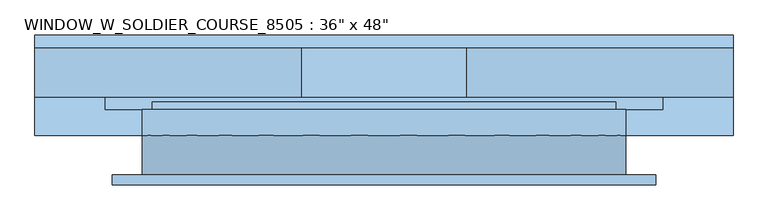
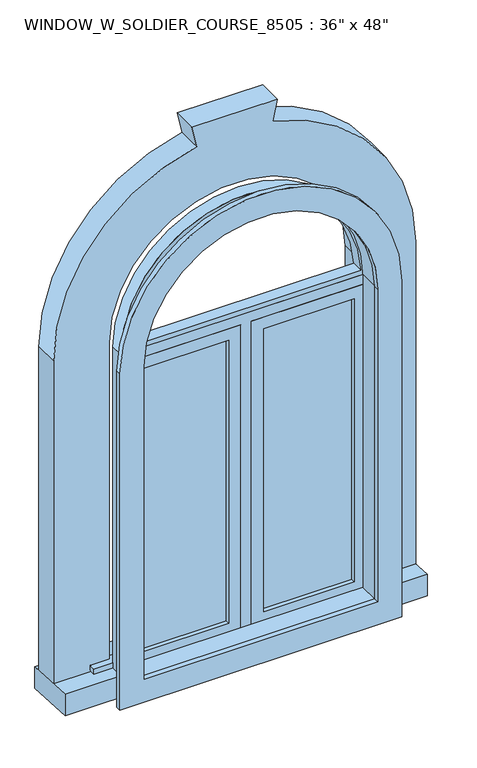
"""IFC4 building model written with IfcOpenShell, lengths in millimetres: window geometry."""

from ifc_helpers import new_model, si_unit, point, frame, frame_2d, origin, place, context, project, spatial, polyline, circle_curve, trimmed, segment, composite_curve, outline, extrude, source, transform, mapped, element, save


def window_f93d558e(model_context):
    return source(origin(), model_context, "Body", "SweptSolid", [
        extrude(outline(composite_curve([segment(polyline([(2152.65, -506.3478419), (857.25, -506.3478419), (857.25, 522.3521581), (2152.65, 522.3521581)]), True, "CONTINUOUS"), segment(trimmed(circle_curve(frame_2d((2152.65, 8.0021581)), 514.35), [point((2152.65, 522.3521581))], [point((2152.65, -506.3478419))], False, "CARTESIAN"), True, "CONTINUOUS")], self_intersect=False), holes=[composite_curve([segment(trimmed(circle_curve(frame_2d((2152.65, 8.0021581)), 425.45), [point((2152.65, -417.4478419))], [point((2152.65, 433.4521581))], True, "CARTESIAN"), True, "CONTINUOUS"), segment(polyline([(2152.65, 433.4521581), (946.15, 433.4521581), (946.15, -417.4478419), (2152.65, -417.4478419)]), True, "CONTINUOUS")], self_intersect=False)]), frame((0.0, -81.05, 0.0), z_axis=(0.0, 1.0, 0.0), x_axis=(0.0, 0.0, 1.0)), (0.0, 0.0, 1.0), 19.05),
        extrude(outline(composite_curve([segment(trimmed(circle_curve(frame_2d((2152.65, 8.0021581)), 438.15), [point((2152.65, 446.1521581))], [point((2152.65, -430.1478419))], False, "CARTESIAN"), True, "CONTINUOUS"), segment(polyline([(2152.65, -430.1478419), (2152.65, 446.1521581)]), True, "CONTINUOUS")], self_intersect=False), holes=[composite_curve([segment(polyline([(2171.6999995, 426.7845698), (2171.6999995, -410.7802537)]), True, "CONTINUOUS"), segment(trimmed(circle_curve(frame_2d((2152.65, 8.0021581)), 419.2154707), [point((2171.6999995, -410.7802537))], [point((2171.6999995, 426.7845698))], True, "CARTESIAN"), True, "CONTINUOUS")], self_intersect=False)]), frame((0.0, 12.7, 0.0), z_axis=(0.0, 1.0, 0.0), x_axis=(0.0, 0.0, 1.0)), (0.0, 0.0, 1.0), 44.45),
        extrude(outline(composite_curve([segment(polyline([(914.4, -449.1978419), (914.4, 465.2021581), (2152.65, 465.2021581)]), True, "CONTINUOUS"), segment(trimmed(circle_curve(frame_2d((2152.65, 8.0021581)), 457.2), [point((2152.65, 465.2021581))], [point((2152.65, -449.1978419))], False, "CARTESIAN"), True, "CONTINUOUS"), segment(polyline([(2152.65, -449.1978419), (914.4, -449.1978419)]), True, "CONTINUOUS")], self_intersect=False), holes=[composite_curve([segment(polyline([(933.45, -430.1478419), (2152.65, -430.1478419)]), True, "CONTINUOUS"), segment(trimmed(circle_curve(frame_2d((2152.65, 8.0021581)), 438.15), [point((2152.65, -430.1478419))], [point((2152.65, 446.1521581))], True, "CARTESIAN"), True, "CONTINUOUS"), segment(polyline([(2152.65, 446.1521581), (933.45, 446.1521581), (933.45, -430.1478419)]), True, "CONTINUOUS")], self_intersect=False)]), frame((0.0, 12.7, 0.0), z_axis=(0.0, 1.0, 0.0), x_axis=(0.0, 0.0, 1.0)), (0.0, 0.0, 1.0), 49.3),
        extrude(outline(polyline([(71.5021581, 41.275), (401.7021581, 41.275), (401.7021581, 28.575), (71.5021581, 28.575), (71.5021581, 41.275)])), frame((0.0, 0.0, 977.9), z_axis=(0.0, 0.0, 1.0), x_axis=(1.0, 0.0, 0.0)), (0.0, 0.0, 1.0), 1092.2),
        extrude(outline(polyline([(2114.55, 27.0521581), (933.45, 27.0521581), (933.45, 446.1521581), (2114.55, 446.1521581), (2114.55, 27.0521581)]), holes=[polyline([(2070.1, 71.5021581), (2070.1, 401.7021581), (977.9, 401.7021581), (977.9, 71.5021581), (2070.1, 71.5021581)])]), frame((0.0, 12.7, 0.0), z_axis=(0.0, 1.0, 0.0), x_axis=(0.0, 0.0, 1.0)), (0.0, 0.0, 1.0), 44.45),
        extrude(outline(polyline([(933.45, -11.0478419), (933.45, 27.0521581), (2114.55, 27.0521581), (2114.55, 446.1521581), (2152.65, 446.1521581), (2152.65, -430.1478419), (2114.55, -430.1478419), (2114.55, -11.0478419), (933.45, -11.0478419)])), frame((0.0, 12.7, 0.0), z_axis=(0.0, 1.0, 0.0), x_axis=(0.0, 0.0, 1.0)), (0.0, 0.0, 1.0), 63.5),
        extrude(outline(polyline([(-519.0478419, 101.6), (535.0521581, 101.6), (535.0521581, 62.0), (-519.0478419, 62.0), (-519.0478419, 101.6)])), frame((0.0, 0.0, 914.4), z_axis=(0.0, 0.0, 1.0), x_axis=(1.0, 0.0, 0.0)), (0.0, 0.0, 1.0), 19.05),
        extrude(outline(polyline([(-55.4978419, 28.575), (-385.6978419, 28.575), (-385.6978419, 41.275), (-55.4978419, 41.275), (-55.4978419, 28.575)])), frame((0.0, 0.0, 977.9), z_axis=(0.0, 0.0, 1.0), x_axis=(1.0, 0.0, 0.0)), (0.0, 0.0, 1.0), 1092.2),
        extrude(outline(polyline([(2114.55, -430.1478419), (933.45, -430.1478419), (933.45, -11.0478419), (2114.55, -11.0478419), (2114.55, -430.1478419)]), holes=[polyline([(2070.1, -385.6978419), (2070.1, -55.4978419), (977.9, -55.4978419), (977.9, -385.6978419), (2070.1, -385.6978419)])]), frame((0.0, 12.7, 0.0), z_axis=(0.0, 1.0, 0.0), x_axis=(0.0, 0.0, 1.0)), (0.0, 0.0, 1.0), 44.45),
        extrude(outline(composite_curve([segment(polyline([(914.4, 465.2021581), (2152.65, 465.2021581)]), True, "CONTINUOUS"), segment(trimmed(circle_curve(frame_2d((2152.65, 8.0021581)), 457.2), [point((2152.65, 465.2021581))], [point((2152.65, -449.1978419))], False, "CARTESIAN"), True, "CONTINUOUS"), segment(polyline([(2152.65, -449.1978419), (914.4, -449.1978419), (914.4, 465.2021581)]), True, "CONTINUOUS")], self_intersect=False), holes=[composite_curve([segment(polyline([(946.15, 433.4521581), (946.15, -417.4478419), (2152.65, -417.4478419)]), True, "CONTINUOUS"), segment(trimmed(circle_curve(frame_2d((2152.65, 8.0021581)), 425.45), [point((2152.65, -417.4478419))], [point((2152.65, 433.4521581))], True, "CARTESIAN"), True, "CONTINUOUS"), segment(polyline([(2152.65, 433.4521581), (946.15, 433.4521581)]), True, "CONTINUOUS")], self_intersect=False)]), frame((0.0, -62.0, 0.0), z_axis=(0.0, 1.0, 0.0), x_axis=(0.0, 0.0, 1.0)), (0.0, 0.0, 1.0), 74.7),
        extrude(outline(polyline([(12.7, 913.0688424), (203.2, 903.0851605), (203.2, 820.5351605), (12.7, 830.5188424), (12.7, 913.0688424)])), frame((-652.3978419, 0.0, 0.0), z_axis=(1.0, 0.0, 0.0), x_axis=(0.0, 1.0, 0.0)), (0.0, 0.0, 1.0), 1320.8),
        extrude(outline(composite_curve([segment(polyline([(904.7491074, 465.2021581), (904.7491074, 668.4021581), (2152.65, 668.4021581)]), True, "CONTINUOUS"), segment(trimmed(circle_curve(frame_2d((2152.65, 8.0021581)), 660.4), [point((2152.65, 668.4021581))], [point((2798.3681062, 146.4806306))], False, "CARTESIAN"), True, "CONTINUOUS"), segment(polyline([(2798.3681062, 146.4806306), (2878.2880453, 163.6199844), (2878.2880453, -147.6156682), (2798.3681062, -130.4763144)]), True, "CONTINUOUS"), segment(trimmed(circle_curve(frame_2d((2152.65, 8.0021581)), 660.4), [point((2798.3681062, -130.4763144))], [point((2152.65, -652.3978419))], False, "CARTESIAN"), True, "CONTINUOUS"), segment(polyline([(2152.65, -652.3978419), (903.0851605, -652.3978419), (903.0851605, -449.1978419), (2152.65, -449.1978419)]), True, "CONTINUOUS"), segment(trimmed(circle_curve(frame_2d((2152.65, 8.0021581)), 457.2), [point((2152.65, -449.1978419))], [point((2152.65, 465.2021581))], True, "CARTESIAN"), True, "CONTINUOUS"), segment(polyline([(2152.65, 465.2021581), (904.7491074, 465.2021581)]), True, "CONTINUOUS")], self_intersect=False)), frame((0.0, 85.725, 0.0), z_axis=(0.0, 1.0, 0.0), x_axis=(0.0, 0.0, 1.0)), (0.0, 0.0, 1.0), 92.075),
    ])


if __name__ == "__main__":
    model = new_model("IFC4")
    model_context = context("Model", 3, world=origin())
    ifc_project = project(units=[si_unit("LENGTHUNIT", "METRE", prefix="MILLI")], contexts=[model_context])
    site = spatial("IfcSite", under=ifc_project)
    building = spatial("IfcBuilding", under=site)
    placement = place(None, origin())
    window_shape = window_f93d558e(model_context)
    element("IfcWindow", 1, ObjectType="WINDOW_W_SOLDIER_COURSE_8505 : 36\" x 48\"", at=placement, inside=building, context=model_context, shape_type="MappedRepresentation", body=[
        mapped(window_shape, transform((0.0, 0.0, 0.0), x_axis=(1.0, 0.0, 0.0), y_axis=(0.0, 1.0, 0.0), z_axis=(0.0, 0.0, 1.0))),
    ])
    save(model, "model.ifc")
